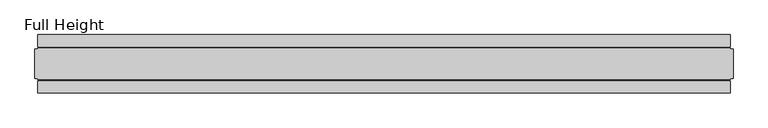
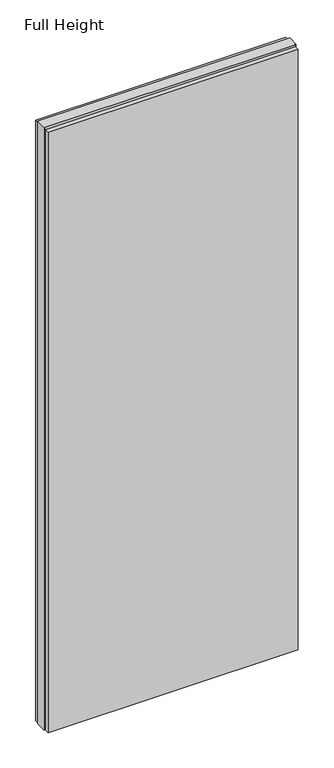
"""IFC4 building model written with IfcOpenShell, lengths in millimetres: plate geometry, Full Height."""

from ifc_helpers import new_model, si_unit, origin, origin_with_axes, place, context, project, spatial, polyline, outline, extrude, source, transform, mapped, element, save


def full_height_e84c56ee(model_context):
    return source(origin(), model_context, "Body", "SweptSolid", [
        extrude(outline(polyline([(588.3597198, 28.956), (-588.3597198, 28.956), (-588.3597198, 49.53), (588.3597198, 49.53), (588.3597198, 28.956)])), origin_with_axes(), (0.0, 0.0, 1.0), 2983.992),
        extrude(outline(polyline([(588.3597198, -28.956), (588.3597198, -49.53), (-588.3597198, -49.53), (-588.3597198, -28.956), (588.3597198, -28.956)])), origin_with_axes(), (0.0, 0.0, 1.0), 2983.992),
        extrude(outline(polyline([(588.3597198, -25.146), (588.3597198, -26.67), (-588.3597198, -26.67), (-588.3597198, -25.146), (-592.9317198, -25.146), (-592.9317198, 25.146), (-588.3597198, 25.146), (-588.3597198, 26.67), (588.3597198, 26.67), (588.3597198, 25.146), (592.9317198, 25.146), (592.9317198, -25.146), (588.3597198, -25.146)])), origin_with_axes(), (0.0, 0.0, 1.0), 2993.136),
    ])


if __name__ == "__main__":
    model = new_model("IFC4")
    model_context = context("Model", 3, world=origin())
    ifc_project = project(units=[si_unit("LENGTHUNIT", "METRE", prefix="MILLI")], contexts=[model_context])
    site = spatial("IfcSite", under=ifc_project)
    building = spatial("IfcBuilding", under=site)
    placement = place(None, origin())
    full_height_shape = full_height_e84c56ee(model_context)
    element("IfcPlate", 1, ObjectType="Full Height", at=placement, inside=building, context=model_context, shape_type="MappedRepresentation", body=[
        mapped(full_height_shape, transform((0.0, 0.0, 0.0), x_axis=(1.0, 0.0, 0.0), y_axis=(0.0, 1.0, 0.0), z_axis=(0.0, 0.0, 1.0))),
    ])
    save(model, "model.ifc")
